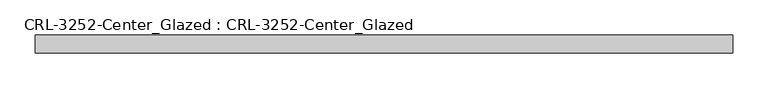
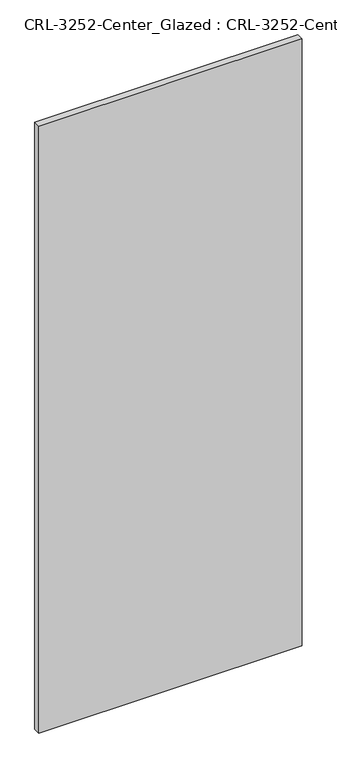
"""IFC4 building model written with IfcOpenShell, lengths in millimetres: plate geometry, CRL-3252-Center_Glazed : CRL-3252-Center_Glazed."""

import ifcopenshell
import ifcopenshell.guid

model = None  # the IFC model being written
_history = None  # IfcOwnerHistory: only IFC2X3 demands one
_inside = {}  # id of a spatial element -> (the spatial element, [elements in it])
_under = {}  # id of a project, library or spatial element -> (it, [spatial elements below it])
_declared = {}  # id of a project -> (the project, [libraries it declares])
_typed = {}  # id of a type object -> (the type object, [elements of that type])
_made_of = {}  # id of a material, layer set ... -> (it, [elements and type objects made of it])


def new_model(schema):
    """Start an empty IFC model of exactly this schema.

    Asked for "IFC4X3", IfcOpenShell would pick the latest addendum, in which some entities
    have other attributes; the version numbers below select the first issue.
    IFC2X3 requires an IfcOwnerHistory on every rooted entity: one is made here for all.
    """
    global model, _history
    if schema == "IFC4X3":
        model = ifcopenshell.file(schema_version=(4, 3, 0, 0))
    else:
        model = ifcopenshell.file(schema=schema)
    _inside.clear()
    _under.clear()
    _declared.clear()
    _typed.clear()
    _made_of.clear()
    _history = None
    if model.schema == "IFC2X3":
        org = make("IfcOrganization", Name="unknown")
        user = make(
            "IfcPersonAndOrganization",
            ThePerson=make("IfcPerson", FamilyName="unknown"),
            TheOrganization=org,
        )
        app = make(
            "IfcApplication",
            ApplicationDeveloper=org,
            Version="unknown",
            ApplicationFullName="unknown",
            ApplicationIdentifier="unknown",
        )
        _history = make(
            "IfcOwnerHistory",
            OwningUser=user,
            OwningApplication=app,
            ChangeAction="ADDED",
            CreationDate=0,
        )
    return model


def make(cls, **values):
    """One entity of the class cls with the attributes given. An attribute that is None is left unset."""
    return model.create_entity(
        cls, **{name: value for name, value in values.items() if value is not None}
    )


def rooted(cls, **values):
    """An entity with a GlobalId (a new one), such as an element, a storey or a relation."""
    return make(cls, GlobalId=ifcopenshell.guid.new(), OwnerHistory=_history, **values)


def si_unit(unit_type, name, prefix=None):
    """IfcSIUnit, for example si_unit("LENGTHUNIT", "METRE", prefix="MILLI")."""
    return make("IfcSIUnit", UnitType=unit_type, Prefix=prefix, Name=name)


def assignment(units):
    """IfcUnitAssignment: the units of a project."""
    return None if units is None else make("IfcUnitAssignment", Units=units)


def point(xyz):
    """IfcCartesianPoint."""
    return None if xyz is None else make("IfcCartesianPoint", Coordinates=xyz)


def direction(xyz):
    """IfcDirection."""
    return None if xyz is None else make("IfcDirection", DirectionRatios=xyz)


def frame(location, z_axis=None, x_axis=None):
    """IfcAxis2Placement3D, a coordinate frame: its origin and axes. An axis left out is left unset."""
    return make(
        "IfcAxis2Placement3D",
        Location=point(location),
        Axis=direction(z_axis),
        RefDirection=direction(x_axis),
    )


def origin():
    """The frame at (0, 0, 0) with its axes left unset."""
    return frame((0.0, 0.0, 0.0))


def origin_with_axes():
    """The frame at (0, 0, 0) with the z axis (0, 0, 1) and the x axis (1, 0, 0) written out."""
    return frame((0.0, 0.0, 0.0), z_axis=(0.0, 0.0, 1.0), x_axis=(1.0, 0.0, 0.0))


def place(relative_to, where):
    """IfcLocalPlacement: puts the frame where relative to a parent placement (None: the world)."""
    return make(
        "IfcLocalPlacement", PlacementRelTo=relative_to, RelativePlacement=where
    )


def context(
    kind, dimensions, precision=None, world=None, true_north=None, identifier=None
):
    """IfcGeometricRepresentationContext, for example the 3D "Model" context."""
    return make(
        "IfcGeometricRepresentationContext",
        ContextIdentifier=identifier,
        ContextType=kind,
        CoordinateSpaceDimension=dimensions,
        Precision=precision,
        WorldCoordinateSystem=world,
        TrueNorth=true_north,
    )


def project(units=None, contexts=None):
    """IfcProject with its units and contexts."""
    return rooted(
        "IfcProject",
        Name="project",
        RepresentationContexts=contexts,
        UnitsInContext=assignment(units),
    )


def spatial(cls, under=None, at=None, **own):
    """A site, building, storey or space (cls), placed at a placement, below another one or the project."""
    s = rooted(cls, ObjectPlacement=at, **own)
    if under is not None:
        _under.setdefault(under.id(), (under, []))[1].append(s)
    return s


def polyline(points):
    """IfcPolyline through the points."""
    return make("IfcPolyline", Points=[point(p) for p in points])


def outline(outer, holes=None, kind="AREA"):
    """IfcArbitraryClosedProfileDef: a profile drawn as a closed curve; with holes, ...WithVoids."""
    if holes is None:
        return make("IfcArbitraryClosedProfileDef", ProfileType=kind, OuterCurve=outer)
    return make(
        "IfcArbitraryProfileDefWithVoids",
        ProfileType=kind,
        OuterCurve=outer,
        InnerCurves=holes,
    )


def extrude(swept, where, along, depth):
    """IfcExtrudedAreaSolid: the profile swept, set in the frame where, extruded along a direction by depth."""
    return make(
        "IfcExtrudedAreaSolid",
        SweptArea=swept,
        Position=where,
        ExtrudedDirection=direction(along),
        Depth=depth,
    )


def shape(context_of_items, identifier, shape_type, items):
    """IfcShapeRepresentation: the items that make up one representation, for example the "Body"."""
    return make(
        "IfcShapeRepresentation",
        ContextOfItems=context_of_items,
        RepresentationIdentifier=identifier,
        RepresentationType=shape_type,
        Items=items,
    )


def source(mapping_origin, context_of_items, identifier, shape_type, items):
    """IfcRepresentationMap: a shape defined once, which mapped items show again and again."""
    return make(
        "IfcRepresentationMap",
        MappingOrigin=mapping_origin,
        MappedRepresentation=shape(context_of_items, identifier, shape_type, items),
    )


def transform(
    local_origin,
    x_axis=None,
    y_axis=None,
    z_axis=None,
    scale=None,
    scale2=None,
    scale3=None,
    uniform=True,
):
    """IfcCartesianTransformationOperator3D, or its non-uniform kind. x_axis, y_axis, z_axis: its Axis1, 2, 3."""
    if uniform:
        return make(
            "IfcCartesianTransformationOperator3D",
            Axis1=direction(x_axis),
            Axis2=direction(y_axis),
            LocalOrigin=point(local_origin),
            Scale=scale,
            Axis3=direction(z_axis),
        )
    return make(
        "IfcCartesianTransformationOperator3DnonUniform",
        Axis1=direction(x_axis),
        Axis2=direction(y_axis),
        LocalOrigin=point(local_origin),
        Scale=scale,
        Axis3=direction(z_axis),
        Scale2=scale2,
        Scale3=scale3,
    )


def mapped(mapping_source, mapping_target):
    """IfcMappedItem: shows the shape of a source again, moved by a transform."""
    return make(
        "IfcMappedItem", MappingSource=mapping_source, MappingTarget=mapping_target
    )


def made_of(thing, what):
    """Note that an element or type object is made of a material, layer set ...; save() writes the relation."""
    if what is not None:
        _made_of.setdefault(what.id(), (what, []))[1].append(thing)
    return thing


def element(
    cls,
    number,
    at=None,
    inside=None,
    cuts=None,
    type_object=None,
    material=None,
    context=None,
    identifier="Body",
    shape_type=None,
    held_by="IfcProductDefinitionShape",
    body=None,
    shapes=None,
    **own,
):
    """One element of the class cls, such as IfcWall. Its Tag is "e" and its number.

    at: its placement. inside: the storey or other place that contains it. cuts: it is an
    opening in that element (IfcRelVoidsElement). A single representation is given by context,
    identifier, shape_type and body (its items); several are given by shapes. held_by: the class
    of the entity that holds the representations. save() writes the other relations.
    """
    e = rooted(cls, Tag="e%d" % number, ObjectPlacement=at, **own)
    if body is not None:
        shapes = [shape(context, identifier, shape_type, body)]
    if shapes is not None:
        e.Representation = make(held_by, Representations=shapes)
    if inside is not None:
        _inside.setdefault(inside.id(), (inside, []))[1].append(e)
    if cuts is not None:
        rooted(
            "IfcRelVoidsElement", RelatingBuildingElement=cuts, RelatedOpeningElement=e
        )
    if type_object is not None:
        _typed.setdefault(type_object.id(), (type_object, []))[1].append(e)
    return made_of(e, material)


def aggregate(whole, parts):
    """IfcRelAggregates: a whole, such as a stair, and the parts it consists of."""
    return rooted("IfcRelAggregates", RelatingObject=whole, RelatedObjects=parts)


def save(model, path):
    """Write the relations noted so far, then the file.

    IfcRelAggregates (storeys below a building ...), IfcRelContainedInSpatialStructure (elements
    in a storey), IfcRelDefinesByType, IfcRelAssociatesMaterial and IfcRelDeclares: one each for
    every whole, place, type object, material and project.
    """
    for whole, parts in _under.values():
        aggregate(whole, parts)
    for where, things in _inside.values():
        rooted(
            "IfcRelContainedInSpatialStructure",
            RelatedElements=things,
            RelatingStructure=where,
        )
    for kind, things in _typed.values():
        rooted("IfcRelDefinesByType", RelatedObjects=things, RelatingType=kind)
    for what, things in _made_of.values():
        rooted("IfcRelAssociatesMaterial", RelatedObjects=things, RelatingMaterial=what)
    for by, libraries in _declared.values():
        rooted("IfcRelDeclares", RelatingContext=by, RelatedDefinitions=libraries)
    model.write(path)


def crl_3252_center_glazed_crl_3252_center_glazed_3035b0e2(model_context):
    return source(origin(), model_context, "Body", "SweptSolid", [
        extrude(outline(polyline([(492.5415589, 12.7), (492.5415589, -12.7), (-492.5415589, -12.7), (-492.5415589, 12.7), (492.5415589, 12.7)])), origin_with_axes(), (0.0, 0.0, 1.0), 2400.0002773),
    ])


if __name__ == "__main__":
    model = new_model("IFC4")
    model_context = context("Model", 3, world=origin())
    ifc_project = project(units=[si_unit("LENGTHUNIT", "METRE", prefix="MILLI")], contexts=[model_context])
    site = spatial("IfcSite", under=ifc_project)
    building = spatial("IfcBuilding", under=site)
    placement = place(None, origin())
    crl_3252_center_glazed_crl_3252_center_glazed_shape = crl_3252_center_glazed_crl_3252_center_glazed_3035b0e2(model_context)
    element("IfcPlate", 1, ObjectType="CRL-3252-Center_Glazed : CRL-3252-Center_Glazed", at=placement, inside=building, context=model_context, shape_type="MappedRepresentation", body=[
        mapped(crl_3252_center_glazed_crl_3252_center_glazed_shape, transform((0.0, 0.0, 0.0), x_axis=(1.0, 0.0, 0.0), y_axis=(0.0, 1.0, 0.0), z_axis=(0.0, 0.0, 1.0))),
    ])
    save(model, "model.ifc")
